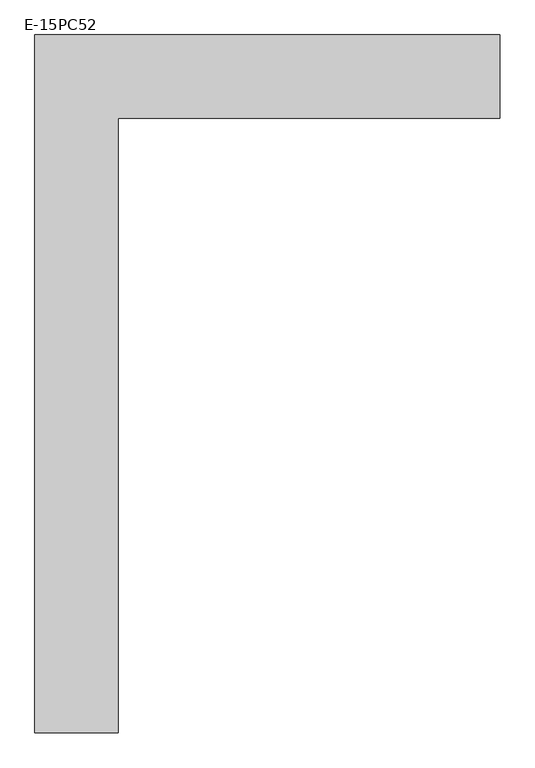
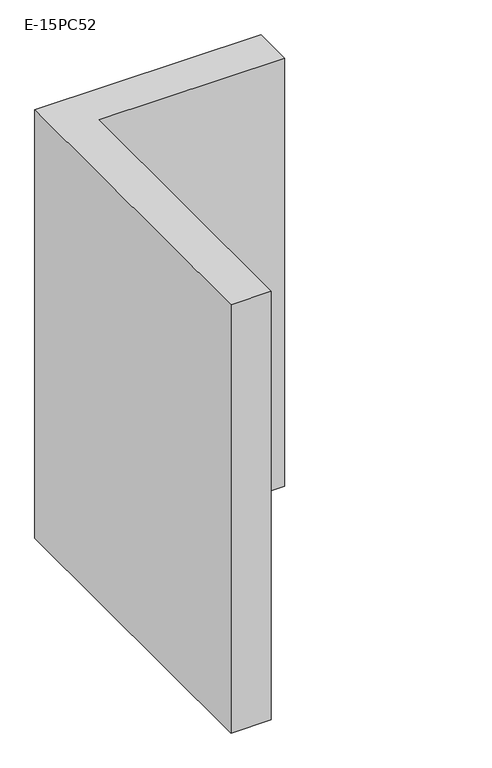
"""IFC4 building model written with IfcOpenShell, lengths in millimetres: column geometry, E-15PC52."""

import ifcopenshell
import ifcopenshell.guid

model = None  # the IFC model being written
_history = None  # IfcOwnerHistory: only IFC2X3 demands one
_inside = {}  # id of a spatial element -> (the spatial element, [elements in it])
_under = {}  # id of a project, library or spatial element -> (it, [spatial elements below it])
_declared = {}  # id of a project -> (the project, [libraries it declares])
_typed = {}  # id of a type object -> (the type object, [elements of that type])
_made_of = {}  # id of a material, layer set ... -> (it, [elements and type objects made of it])


def new_model(schema):
    """Start an empty IFC model of exactly this schema.

    Asked for "IFC4X3", IfcOpenShell would pick the latest addendum, in which some entities
    have other attributes; the version numbers below select the first issue.
    IFC2X3 requires an IfcOwnerHistory on every rooted entity: one is made here for all.
    """
    global model, _history
    if schema == "IFC4X3":
        model = ifcopenshell.file(schema_version=(4, 3, 0, 0))
    else:
        model = ifcopenshell.file(schema=schema)
    _inside.clear()
    _under.clear()
    _declared.clear()
    _typed.clear()
    _made_of.clear()
    _history = None
    if model.schema == "IFC2X3":
        org = make("IfcOrganization", Name="unknown")
        user = make(
            "IfcPersonAndOrganization",
            ThePerson=make("IfcPerson", FamilyName="unknown"),
            TheOrganization=org,
        )
        app = make(
            "IfcApplication",
            ApplicationDeveloper=org,
            Version="unknown",
            ApplicationFullName="unknown",
            ApplicationIdentifier="unknown",
        )
        _history = make(
            "IfcOwnerHistory",
            OwningUser=user,
            OwningApplication=app,
            ChangeAction="ADDED",
            CreationDate=0,
        )
    return model


def make(cls, **values):
    """One entity of the class cls with the attributes given. An attribute that is None is left unset."""
    return model.create_entity(
        cls, **{name: value for name, value in values.items() if value is not None}
    )


def rooted(cls, **values):
    """An entity with a GlobalId (a new one), such as an element, a storey or a relation."""
    return make(cls, GlobalId=ifcopenshell.guid.new(), OwnerHistory=_history, **values)


def si_unit(unit_type, name, prefix=None):
    """IfcSIUnit, for example si_unit("LENGTHUNIT", "METRE", prefix="MILLI")."""
    return make("IfcSIUnit", UnitType=unit_type, Prefix=prefix, Name=name)


def assignment(units):
    """IfcUnitAssignment: the units of a project."""
    return None if units is None else make("IfcUnitAssignment", Units=units)


def point(xyz):
    """IfcCartesianPoint."""
    return None if xyz is None else make("IfcCartesianPoint", Coordinates=xyz)


def direction(xyz):
    """IfcDirection."""
    return None if xyz is None else make("IfcDirection", DirectionRatios=xyz)


def frame(location, z_axis=None, x_axis=None):
    """IfcAxis2Placement3D, a coordinate frame: its origin and axes. An axis left out is left unset."""
    return make(
        "IfcAxis2Placement3D",
        Location=point(location),
        Axis=direction(z_axis),
        RefDirection=direction(x_axis),
    )


def origin():
    """The frame at (0, 0, 0) with its axes left unset."""
    return frame((0.0, 0.0, 0.0))


def place(relative_to, where):
    """IfcLocalPlacement: puts the frame where relative to a parent placement (None: the world)."""
    return make(
        "IfcLocalPlacement", PlacementRelTo=relative_to, RelativePlacement=where
    )


def context(
    kind, dimensions, precision=None, world=None, true_north=None, identifier=None
):
    """IfcGeometricRepresentationContext, for example the 3D "Model" context."""
    return make(
        "IfcGeometricRepresentationContext",
        ContextIdentifier=identifier,
        ContextType=kind,
        CoordinateSpaceDimension=dimensions,
        Precision=precision,
        WorldCoordinateSystem=world,
        TrueNorth=true_north,
    )


def project(units=None, contexts=None):
    """IfcProject with its units and contexts."""
    return rooted(
        "IfcProject",
        Name="project",
        RepresentationContexts=contexts,
        UnitsInContext=assignment(units),
    )


def spatial(cls, under=None, at=None, **own):
    """A site, building, storey or space (cls), placed at a placement, below another one or the project."""
    s = rooted(cls, ObjectPlacement=at, **own)
    if under is not None:
        _under.setdefault(under.id(), (under, []))[1].append(s)
    return s


def polyline(points):
    """IfcPolyline through the points."""
    return make("IfcPolyline", Points=[point(p) for p in points])


def outline(outer, holes=None, kind="AREA"):
    """IfcArbitraryClosedProfileDef: a profile drawn as a closed curve; with holes, ...WithVoids."""
    if holes is None:
        return make("IfcArbitraryClosedProfileDef", ProfileType=kind, OuterCurve=outer)
    return make(
        "IfcArbitraryProfileDefWithVoids",
        ProfileType=kind,
        OuterCurve=outer,
        InnerCurves=holes,
    )


def extrude(swept, where, along, depth):
    """IfcExtrudedAreaSolid: the profile swept, set in the frame where, extruded along a direction by depth."""
    return make(
        "IfcExtrudedAreaSolid",
        SweptArea=swept,
        Position=where,
        ExtrudedDirection=direction(along),
        Depth=depth,
    )


def shape(context_of_items, identifier, shape_type, items):
    """IfcShapeRepresentation: the items that make up one representation, for example the "Body"."""
    return make(
        "IfcShapeRepresentation",
        ContextOfItems=context_of_items,
        RepresentationIdentifier=identifier,
        RepresentationType=shape_type,
        Items=items,
    )


def source(mapping_origin, context_of_items, identifier, shape_type, items):
    """IfcRepresentationMap: a shape defined once, which mapped items show again and again."""
    return make(
        "IfcRepresentationMap",
        MappingOrigin=mapping_origin,
        MappedRepresentation=shape(context_of_items, identifier, shape_type, items),
    )


def transform(
    local_origin,
    x_axis=None,
    y_axis=None,
    z_axis=None,
    scale=None,
    scale2=None,
    scale3=None,
    uniform=True,
):
    """IfcCartesianTransformationOperator3D, or its non-uniform kind. x_axis, y_axis, z_axis: its Axis1, 2, 3."""
    if uniform:
        return make(
            "IfcCartesianTransformationOperator3D",
            Axis1=direction(x_axis),
            Axis2=direction(y_axis),
            LocalOrigin=point(local_origin),
            Scale=scale,
            Axis3=direction(z_axis),
        )
    return make(
        "IfcCartesianTransformationOperator3DnonUniform",
        Axis1=direction(x_axis),
        Axis2=direction(y_axis),
        LocalOrigin=point(local_origin),
        Scale=scale,
        Axis3=direction(z_axis),
        Scale2=scale2,
        Scale3=scale3,
    )


def mapped(mapping_source, mapping_target):
    """IfcMappedItem: shows the shape of a source again, moved by a transform."""
    return make(
        "IfcMappedItem", MappingSource=mapping_source, MappingTarget=mapping_target
    )


def made_of(thing, what):
    """Note that an element or type object is made of a material, layer set ...; save() writes the relation."""
    if what is not None:
        _made_of.setdefault(what.id(), (what, []))[1].append(thing)
    return thing


def element(
    cls,
    number,
    at=None,
    inside=None,
    cuts=None,
    type_object=None,
    material=None,
    context=None,
    identifier="Body",
    shape_type=None,
    held_by="IfcProductDefinitionShape",
    body=None,
    shapes=None,
    **own,
):
    """One element of the class cls, such as IfcWall. Its Tag is "e" and its number.

    at: its placement. inside: the storey or other place that contains it. cuts: it is an
    opening in that element (IfcRelVoidsElement). A single representation is given by context,
    identifier, shape_type and body (its items); several are given by shapes. held_by: the class
    of the entity that holds the representations. save() writes the other relations.
    """
    e = rooted(cls, Tag="e%d" % number, ObjectPlacement=at, **own)
    if body is not None:
        shapes = [shape(context, identifier, shape_type, body)]
    if shapes is not None:
        e.Representation = make(held_by, Representations=shapes)
    if inside is not None:
        _inside.setdefault(inside.id(), (inside, []))[1].append(e)
    if cuts is not None:
        rooted(
            "IfcRelVoidsElement", RelatingBuildingElement=cuts, RelatedOpeningElement=e
        )
    if type_object is not None:
        _typed.setdefault(type_object.id(), (type_object, []))[1].append(e)
    return made_of(e, material)


def aggregate(whole, parts):
    """IfcRelAggregates: a whole, such as a stair, and the parts it consists of."""
    return rooted("IfcRelAggregates", RelatingObject=whole, RelatedObjects=parts)


def save(model, path):
    """Write the relations noted so far, then the file.

    IfcRelAggregates (storeys below a building ...), IfcRelContainedInSpatialStructure (elements
    in a storey), IfcRelDefinesByType, IfcRelAssociatesMaterial and IfcRelDeclares: one each for
    every whole, place, type object, material and project.
    """
    for whole, parts in _under.values():
        aggregate(whole, parts)
    for where, things in _inside.values():
        rooted(
            "IfcRelContainedInSpatialStructure",
            RelatedElements=things,
            RelatingStructure=where,
        )
    for kind, things in _typed.values():
        rooted("IfcRelDefinesByType", RelatedObjects=things, RelatingType=kind)
    for what, things in _made_of.values():
        rooted("IfcRelAssociatesMaterial", RelatedObjects=things, RelatingMaterial=what)
    for by, libraries in _declared.values():
        rooted("IfcRelDeclares", RelatingContext=by, RelatedDefinitions=libraries)
    model.write(path)


def e_15pc52_75c7075e(model_context):
    return source(origin(), model_context, "Body", "SweptSolid", [
        extrude(outline(polyline([(-700.0, 1050.0), (700.0, 1050.0), (700.0, 800.0), (-450.0, 800.0), (-450.0, -1050.0), (-700.0, -1050.0), (-700.0, 1050.0)])), frame((0.0, 0.0, 26000.0), z_axis=(0.0, 0.0, 1.0), x_axis=(1.0, 0.0, 0.0)), (0.0, 0.0, 1.0), 2800.0),
    ])


if __name__ == "__main__":
    model = new_model("IFC4")
    model_context = context("Model", 3, world=origin())
    ifc_project = project(units=[si_unit("LENGTHUNIT", "METRE", prefix="MILLI")], contexts=[model_context])
    site = spatial("IfcSite", under=ifc_project)
    building = spatial("IfcBuilding", under=site)
    placement = place(None, origin())
    e_15pc52_shape = e_15pc52_75c7075e(model_context)
    element("IfcColumn", 1, ObjectType="E-15PC52", at=placement, inside=building, context=model_context, shape_type="MappedRepresentation", body=[
        mapped(e_15pc52_shape, transform((0.0, 0.0, 0.0), x_axis=(1.0, 0.0, 0.0), y_axis=(0.0, 1.0, 0.0), z_axis=(0.0, 0.0, 1.0))),
    ])
    save(model, "model.ifc")
